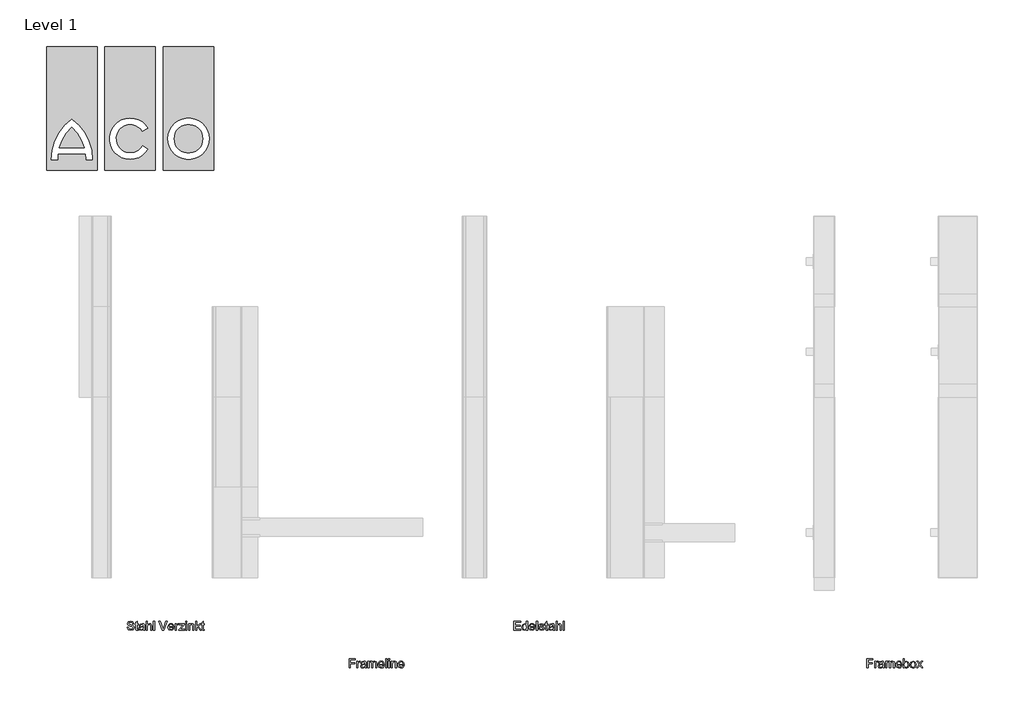
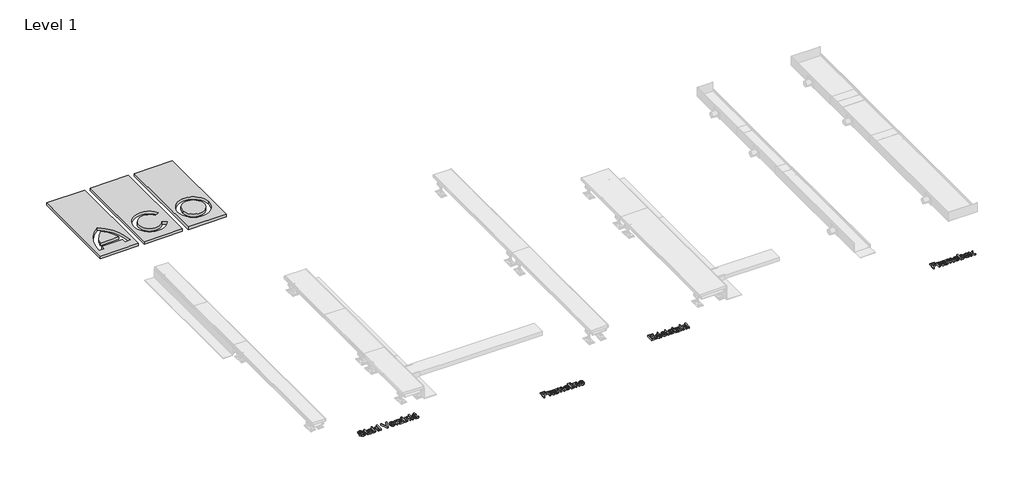
# One storey, part 2 of 2: 5 proxies.
"""IFC4 building model written with IfcOpenShell, lengths in millimetres."""

import ifcopenshell
import ifcopenshell.guid

model = None  # the IFC model being written
_history = None  # IfcOwnerHistory: only IFC2X3 demands one
_inside = {}  # id of a spatial element -> (the spatial element, [elements in it])
_under = {}  # id of a project, library or spatial element -> (it, [spatial elements below it])
_declared = {}  # id of a project -> (the project, [libraries it declares])
_typed = {}  # id of a type object -> (the type object, [elements of that type])
_made_of = {}  # id of a material, layer set ... -> (it, [elements and type objects made of it])


def new_model(schema):
    """Start an empty IFC model of exactly this schema.

    Asked for "IFC4X3", IfcOpenShell would pick the latest addendum, in which some entities
    have other attributes; the version numbers below select the first issue.
    IFC2X3 requires an IfcOwnerHistory on every rooted entity: one is made here for all.
    """
    global model, _history
    if schema == "IFC4X3":
        model = ifcopenshell.file(schema_version=(4, 3, 0, 0))
    else:
        model = ifcopenshell.file(schema=schema)
    _inside.clear()
    _under.clear()
    _declared.clear()
    _typed.clear()
    _made_of.clear()
    _history = None
    if model.schema == "IFC2X3":
        org = make("IfcOrganization", Name="unknown")
        user = make(
            "IfcPersonAndOrganization",
            ThePerson=make("IfcPerson", FamilyName="unknown"),
            TheOrganization=org,
        )
        app = make(
            "IfcApplication",
            ApplicationDeveloper=org,
            Version="unknown",
            ApplicationFullName="unknown",
            ApplicationIdentifier="unknown",
        )
        _history = make(
            "IfcOwnerHistory",
            OwningUser=user,
            OwningApplication=app,
            ChangeAction="ADDED",
            CreationDate=0,
        )
    return model


def make(cls, **values):
    """One entity of the class cls with the attributes given. An attribute that is None is left unset."""
    return model.create_entity(
        cls, **{name: value for name, value in values.items() if value is not None}
    )


def rooted(cls, **values):
    """An entity with a GlobalId (a new one), such as an element, a storey or a relation."""
    return make(cls, GlobalId=ifcopenshell.guid.new(), OwnerHistory=_history, **values)


def si_unit(unit_type, name, prefix=None):
    """IfcSIUnit, for example si_unit("LENGTHUNIT", "METRE", prefix="MILLI")."""
    return make("IfcSIUnit", UnitType=unit_type, Prefix=prefix, Name=name)


def assignment(units):
    """IfcUnitAssignment: the units of a project."""
    return None if units is None else make("IfcUnitAssignment", Units=units)


def point(xyz):
    """IfcCartesianPoint."""
    return None if xyz is None else make("IfcCartesianPoint", Coordinates=xyz)


def direction(xyz):
    """IfcDirection."""
    return None if xyz is None else make("IfcDirection", DirectionRatios=xyz)


def frame(location, z_axis=None, x_axis=None):
    """IfcAxis2Placement3D, a coordinate frame: its origin and axes. An axis left out is left unset."""
    return make(
        "IfcAxis2Placement3D",
        Location=point(location),
        Axis=direction(z_axis),
        RefDirection=direction(x_axis),
    )


def frame_2d(location, x_axis=None):
    """IfcAxis2Placement2D, a coordinate frame in the plane: its origin and x axis."""
    return make(
        "IfcAxis2Placement2D", Location=point(location), RefDirection=direction(x_axis)
    )


def origin():
    """The frame at (0, 0, 0) with its axes left unset."""
    return frame((0.0, 0.0, 0.0))


def origin_with_axes():
    """The frame at (0, 0, 0) with the z axis (0, 0, 1) and the x axis (1, 0, 0) written out."""
    return frame((0.0, 0.0, 0.0), z_axis=(0.0, 0.0, 1.0), x_axis=(1.0, 0.0, 0.0))


def origin_2d():
    """The frame at (0, 0) in the plane with its x axis left unset."""
    return frame_2d((0.0, 0.0))


def place(relative_to, where):
    """IfcLocalPlacement: puts the frame where relative to a parent placement (None: the world)."""
    return make(
        "IfcLocalPlacement", PlacementRelTo=relative_to, RelativePlacement=where
    )


def context(
    kind, dimensions, precision=None, world=None, true_north=None, identifier=None
):
    """IfcGeometricRepresentationContext, for example the 3D "Model" context."""
    return make(
        "IfcGeometricRepresentationContext",
        ContextIdentifier=identifier,
        ContextType=kind,
        CoordinateSpaceDimension=dimensions,
        Precision=precision,
        WorldCoordinateSystem=world,
        TrueNorth=true_north,
    )


def project(units=None, contexts=None):
    """IfcProject with its units and contexts."""
    return rooted(
        "IfcProject",
        Name="project",
        RepresentationContexts=contexts,
        UnitsInContext=assignment(units),
    )


def spatial(cls, under=None, at=None, **own):
    """A site, building, storey or space (cls), placed at a placement, below another one or the project."""
    s = rooted(cls, ObjectPlacement=at, **own)
    if under is not None:
        _under.setdefault(under.id(), (under, []))[1].append(s)
    return s


def polyline(points):
    """IfcPolyline through the points."""
    return make("IfcPolyline", Points=[point(p) for p in points])


def circle_curve(where, radius):
    """IfcCircle in the frame where."""
    return make("IfcCircle", Position=where, Radius=radius)


def trimmed(basis, trim1, trim2, sense, master):
    """IfcTrimmedCurve: the piece of a basis curve between two trims."""
    return make(
        "IfcTrimmedCurve",
        BasisCurve=basis,
        Trim1=trim1,
        Trim2=trim2,
        SenseAgreement=sense,
        MasterRepresentation=master,
    )


def segment(curve, same_sense, transition):
    """IfcCompositeCurveSegment."""
    return make(
        "IfcCompositeCurveSegment",
        Transition=transition,
        SameSense=same_sense,
        ParentCurve=curve,
    )


def composite_curve(segments, self_intersect=None):
    """IfcCompositeCurve: segments joined end to end."""
    return make("IfcCompositeCurve", Segments=segments, SelfIntersect=self_intersect)


def outline(outer, holes=None, kind="AREA"):
    """IfcArbitraryClosedProfileDef: a profile drawn as a closed curve; with holes, ...WithVoids."""
    if holes is None:
        return make("IfcArbitraryClosedProfileDef", ProfileType=kind, OuterCurve=outer)
    return make(
        "IfcArbitraryProfileDefWithVoids",
        ProfileType=kind,
        OuterCurve=outer,
        InnerCurves=holes,
    )


def extrude(swept, where, along, depth):
    """IfcExtrudedAreaSolid: the profile swept, set in the frame where, extruded along a direction by depth."""
    return make(
        "IfcExtrudedAreaSolid",
        SweptArea=swept,
        Position=where,
        ExtrudedDirection=direction(along),
        Depth=depth,
    )


def shape(context_of_items, identifier, shape_type, items):
    """IfcShapeRepresentation: the items that make up one representation, for example the "Body"."""
    return make(
        "IfcShapeRepresentation",
        ContextOfItems=context_of_items,
        RepresentationIdentifier=identifier,
        RepresentationType=shape_type,
        Items=items,
    )


def source(mapping_origin, context_of_items, identifier, shape_type, items):
    """IfcRepresentationMap: a shape defined once, which mapped items show again and again."""
    return make(
        "IfcRepresentationMap",
        MappingOrigin=mapping_origin,
        MappedRepresentation=shape(context_of_items, identifier, shape_type, items),
    )


def transform(
    local_origin,
    x_axis=None,
    y_axis=None,
    z_axis=None,
    scale=None,
    scale2=None,
    scale3=None,
    uniform=True,
):
    """IfcCartesianTransformationOperator3D, or its non-uniform kind. x_axis, y_axis, z_axis: its Axis1, 2, 3."""
    if uniform:
        return make(
            "IfcCartesianTransformationOperator3D",
            Axis1=direction(x_axis),
            Axis2=direction(y_axis),
            LocalOrigin=point(local_origin),
            Scale=scale,
            Axis3=direction(z_axis),
        )
    return make(
        "IfcCartesianTransformationOperator3DnonUniform",
        Axis1=direction(x_axis),
        Axis2=direction(y_axis),
        LocalOrigin=point(local_origin),
        Scale=scale,
        Axis3=direction(z_axis),
        Scale2=scale2,
        Scale3=scale3,
    )


def mapped(mapping_source, mapping_target):
    """IfcMappedItem: shows the shape of a source again, moved by a transform."""
    return make(
        "IfcMappedItem", MappingSource=mapping_source, MappingTarget=mapping_target
    )


def made_of(thing, what):
    """Note that an element or type object is made of a material, layer set ...; save() writes the relation."""
    if what is not None:
        _made_of.setdefault(what.id(), (what, []))[1].append(thing)
    return thing


def element(
    cls,
    number,
    at=None,
    inside=None,
    cuts=None,
    type_object=None,
    material=None,
    context=None,
    identifier="Body",
    shape_type=None,
    held_by="IfcProductDefinitionShape",
    body=None,
    shapes=None,
    **own,
):
    """One element of the class cls, such as IfcWall. Its Tag is "e" and its number.

    at: its placement. inside: the storey or other place that contains it. cuts: it is an
    opening in that element (IfcRelVoidsElement). A single representation is given by context,
    identifier, shape_type and body (its items); several are given by shapes. held_by: the class
    of the entity that holds the representations. save() writes the other relations.
    """
    e = rooted(cls, Tag="e%d" % number, ObjectPlacement=at, **own)
    if body is not None:
        shapes = [shape(context, identifier, shape_type, body)]
    if shapes is not None:
        e.Representation = make(held_by, Representations=shapes)
    if inside is not None:
        _inside.setdefault(inside.id(), (inside, []))[1].append(e)
    if cuts is not None:
        rooted(
            "IfcRelVoidsElement", RelatingBuildingElement=cuts, RelatedOpeningElement=e
        )
    if type_object is not None:
        _typed.setdefault(type_object.id(), (type_object, []))[1].append(e)
    return made_of(e, material)


def aggregate(whole, parts):
    """IfcRelAggregates: a whole, such as a stair, and the parts it consists of."""
    return rooted("IfcRelAggregates", RelatingObject=whole, RelatedObjects=parts)


def save(model, path):
    """Write the relations noted so far, then the file.

    IfcRelAggregates (storeys below a building ...), IfcRelContainedInSpatialStructure (elements
    in a storey), IfcRelDefinesByType, IfcRelAssociatesMaterial and IfcRelDeclares: one each for
    every whole, place, type object, material and project.
    """
    for whole, parts in _under.values():
        aggregate(whole, parts)
    for where, things in _inside.values():
        rooted(
            "IfcRelContainedInSpatialStructure",
            RelatedElements=things,
            RelatingStructure=where,
        )
    for kind, things in _typed.values():
        rooted("IfcRelDefinesByType", RelatedObjects=things, RelatingType=kind)
    for what, things in _made_of.values():
        rooted("IfcRelAssociatesMaterial", RelatedObjects=things, RelatingMaterial=what)
    for by, libraries in _declared.values():
        rooted("IfcRelDeclares", RelatingContext=by, RelatedDefinitions=libraries)
    model.write(path)


def aco_logo_2_aco_logo_2_fd4f08f5(model_context):
    return source(origin(), model_context, "Body", "SweptSolid", [
        extrude(outline(composite_curve([segment(trimmed(circle_curve(frame_2d((322.6916659, 0.0)), 78.8446383), [point((243.8470276, 0.0))], [point((401.5363043, 0.0))], False, "CARTESIAN"), True, "CONTINUOUS"), segment(trimmed(circle_curve(frame_2d((322.6916659, 0.0)), 78.8446383), [point((401.5363043, 0.0))], [point((243.8470276, 0.0))], False, "CARTESIAN"), True, "CONTINUOUS")], self_intersect=False)), origin_with_axes(), (0.0, 0.0, 1.0), 20.0),
        extrude(outline(composite_curve([segment(trimmed(circle_curve(frame_2d((-489.1421711, -116.655693)), 245.2949397), [point((-322.6918325, 63.5216981))], [point((-253.4274551, -48.7721153))], False, "CARTESIAN"), True, "CONTINUOUS"), segment(polyline([(-253.4274551, -48.7721153), (-391.9570627, -48.7721153)]), True, "CONTINUOUS"), segment(trimmed(circle_curve(frame_2d((-156.2447263, -116.6554892)), 245.2925967), [point((-391.9570627, -48.7721153))], [point((-322.6918325, 63.5216981))], False, "CARTESIAN"), True, "CONTINUOUS")], self_intersect=False)), origin_with_axes(), (0.0, 0.0, 1.0), 20.0),
        extrude(outline(polyline([(-182.6922589, -175.0), (-462.6922589, -175.0), (-462.6922589, 510.0), (-182.6922589, 510.0), (-182.6922589, -175.0)]), holes=[composite_curve([segment(trimmed(circle_curve(frame_2d((-489.1421711, -116.655693)), 245.2949397), [point((-246.0556797, -83.8141768))], [point((-243.8503465, -115.4194717))], False, "CARTESIAN"), True, "CONTINUOUS"), segment(polyline([(-243.8503465, -115.4194717), (-208.8078956, -115.4194717)]), True, "CONTINUOUS"), segment(trimmed(circle_curve(frame_2d((-489.1421711, -116.655693)), 280.3370012), [point((-208.8078956, -115.4194717))], [point((-322.691871, 108.917204))], True, "CARTESIAN"), True, "CONTINUOUS"), segment(trimmed(circle_curve(frame_2d((-156.2447263, -116.6554892)), 280.3349638), [point((-322.691871, 108.917204))], [point((-436.5769652, -115.4194717))], True, "CARTESIAN"), True, "CONTINUOUS"), segment(polyline([(-436.5769652, -115.4194717), (-401.533291, -115.4194717)]), True, "CONTINUOUS"), segment(trimmed(circle_curve(frame_2d((-156.2414664, -116.655693)), 245.2949397), [point((-401.533291, -115.4194717))], [point((-399.3279577, -83.8141768))], False, "CARTESIAN"), True, "CONTINUOUS"), segment(polyline([(-399.3279577, -83.8141768), (-246.0556797, -83.8141768)]), True, "CONTINUOUS")], self_intersect=False)]), origin_with_axes(), (0.0, 0.0, 1.0), 20.0),
        extrude(outline(polyline([(140.0, -175.0), (-140.0, -175.0), (-140.0, 510.0), (140.0, 510.0), (140.0, -175.0)]), holes=[composite_curve([segment(trimmed(circle_curve(origin_2d(), 78.8445365), [point((68.281376, -39.4222605))], [point((67.5433761, 40.6737418))], False, "CARTESIAN"), True, "CONTINUOUS"), segment(polyline([(67.5433761, 40.6737418), (97.8942123, 58.1969105)]), True, "CONTINUOUS"), segment(trimmed(circle_curve(origin_2d(), 113.8865979), [point((97.8942123, 58.1969105))], [point((98.6286808, -56.9433097))], True, "CARTESIAN"), True, "CONTINUOUS"), segment(polyline([(98.6286808, -56.9433097), (68.281376, -39.4222605)]), True, "CONTINUOUS")], self_intersect=False)]), origin_with_axes(), (0.0, 0.0, 1.0), 20.0),
        extrude(outline(polyline([(462.6916659, -175.0), (182.6916659, -175.0), (182.6916659, 510.0), (462.6916659, 510.0), (462.6916659, -175.0)]), holes=[composite_curve([segment(trimmed(circle_curve(frame_2d((322.6916659, 0.0)), 113.8866998), [point((208.8049661, 0.0))], [point((436.5783657, 0.0))], True, "CARTESIAN"), True, "CONTINUOUS"), segment(trimmed(circle_curve(frame_2d((322.6916659, 0.0)), 113.8866998), [point((436.5783657, 0.0))], [point((208.8049661, 0.0))], True, "CARTESIAN"), True, "CONTINUOUS")], self_intersect=False)]), origin_with_axes(), (0.0, 0.0, 1.0), 20.0),
    ])


model = new_model("IFC4")

# Units and contexts
model_context = context("Model", 3, world=origin())
ifc_project = project(units=[si_unit("LENGTHUNIT", "METRE", prefix="MILLI")], contexts=[model_context])

# Site, building, storey
site = spatial("IfcSite", under=ifc_project)
building = spatial("IfcBuilding", under=site)
storey = spatial("IfcBuildingStorey", under=building, Name="Level 1", Elevation=0.0)

# Proxies
placement = place(None, origin())
element("IfcBuildingElementProxy", 1, Name="100mm ACO", ObjectType="100mm ACO", at=placement, inside=storey, context=model_context, shape_type="SweptSolid", body=[
    extrude(outline(polyline([(6028.2815855, -2717.8483329), (6001.2727885, -2717.8483329), (6001.2727885, -2733.681076), (6024.5562342, -2733.681076), (6024.5562342, -2739.2691029), (6001.2727885, -2739.2691029), (6001.2727885, -2762.5525486), (5994.7534237, -2762.5525486), (5994.7534237, -2712.2603059), (6028.2815855, -2712.2603059), (6028.2815855, -2717.8483329)])), origin_with_axes(), (0.0, 0.0, 1.0), 10.0),
    extrude(outline(polyline([(6056.2217203, -2726.7251466), (6054.1844188, -2730.8870625), (6049.9060857, -2729.9557246), (6044.8855927, -2733.2299592), (6043.1829907, -2742.3978159), (6043.1829907, -2762.5525486), (6036.6636259, -2762.5525486), (6036.6636259, -2726.2303733), (6042.2516529, -2726.2303733), (6042.2516529, -2731.6146701), (6049.9788464, -2725.2990355), (6056.2217203, -2726.7251466)])), origin_with_axes(), (0.0, 0.0, 1.0), 10.0),
    extrude(outline(polyline([(6091.6125577, -2762.5525486), (6085.0931929, -2762.5525486), (6083.2305173, -2758.1577982), (6070.1772356, -2763.4838864), (6061.3222501, -2760.5734557), (6058.084396, -2752.8899186), (6061.2567654, -2745.344627), (6072.2727457, -2741.4228216), (6077.9771899, -2740.5496924), (6083.2305173, -2739.2691029), (6083.0631675, -2735.2308803), (6082.0881732, -2732.7788424), (6079.4906138, -2730.7342649), (6074.673851, -2729.9557246), (6068.5983269, -2731.5346333), (6065.5350986, -2737.4064273), (6059.0157338, -2736.6060588), (6064.1599201, -2728.1367055), (6075.5615324, -2725.2990355), (6085.2459906, -2727.241748), (6089.0441026, -2731.9275415), (6089.7498821, -2738.992612), (6089.7498821, -2747.3018917), (6090.026373, -2757.4883992), (6091.6125577, -2762.5525486)]), holes=[polyline([(6083.2305173, -2746.2541366), (6083.2305173, -2743.9257921), (6071.5233098, -2746.6033883), (6066.333648, -2748.6443278), (6064.6037607, -2752.7880536), (6066.4664364, -2757.1245953), (6071.8361811, -2758.8271973), (6079.788933, -2755.9749752), (6083.2305173, -2746.2541366)])]), origin_with_axes(), (0.0, 0.0, 1.0), 10.0),
    extrude(outline(polyline([(6147.4928273, -2762.5525486), (6140.9734626, -2762.5525486), (6140.9734626, -2739.0653728), (6140.6460391, -2734.634242), (6138.9434371, -2731.3745596), (6134.6578279, -2729.9557246), (6128.6186842, -2732.546008), (6126.0720573, -2740.9571527), (6126.0720573, -2762.5525486), (6119.5526925, -2762.5525486), (6119.5526925, -2738.3668694), (6117.9519556, -2731.7456395), (6113.4116837, -2729.9557246), (6107.1106013, -2732.7570142), (6104.6512873, -2743.2418408), (6104.6512873, -2762.5525486), (6098.1319225, -2762.5525486), (6098.1319225, -2726.2303733), (6103.7199495, -2726.2303733), (6103.7199495, -2731.2072099), (6108.4384853, -2726.7760791), (6114.7504819, -2725.2990355), (6121.3789878, -2726.8924963), (6125.1407195, -2731.6874309), (6129.928378, -2726.8961344), (6136.2585648, -2725.2990355), (6144.6842617, -2728.3549878), (6147.4928273, -2737.5228445), (6147.4928273, -2762.5525486)])), origin_with_axes(), (0.0, 0.0, 1.0), 10.0),
    extrude(outline(polyline([(6188.4716917, -2745.7884677), (6161.4628948, -2745.7884677), (6164.8753748, -2755.480202), (6172.4497707, -2758.8271973), (6178.3215646, -2756.9717977), (6181.952327, -2751.3764947), (6188.4716917, -2752.1332067), (6182.7817997, -2760.5443514), (6172.4497707, -2763.4838864), (6159.5783909, -2758.4415652), (6154.94353, -2744.6679519), (6159.4110411, -2730.6687802), (6164.7916999, -2726.6414717), (6171.9986539, -2725.2990355), (6179.6530867, -2727.0380179), (6185.9032366, -2732.9607444), (6188.4716917, -2745.7884677)]), holes=[polyline([(6181.952327, -2741.1317786), (6178.5180187, -2732.5751123), (6171.8385802, -2729.9557246), (6164.708025, -2733.0698855), (6161.4628948, -2741.1317786), (6181.952327, -2741.1317786)])]), origin_with_axes(), (0.0, 0.0, 1.0), 10.0),
    extrude(outline(polyline([(6202.5290721, -2729.8247553), (6212.3081192, -2725.2990355), (6223.4186885, -2730.4213936), (6227.5878805, -2743.8093748), (6223.0039521, -2758.4124609), (6212.2790149, -2763.4838864), (6202.5727285, -2758.5070499), (6202.4417591, -2762.5525486), (6195.9223944, -2762.5525486), (6195.9223944, -2712.2603059), (6202.4417591, -2712.2603059), (6202.5290721, -2729.8247553)]), holes=[polyline([(6211.6678245, -2758.8271973), (6218.4127477, -2755.0218091), (6221.0685157, -2744.3332524), (6218.6237539, -2733.8338736), (6211.8715546, -2729.9557246), (6205.0320425, -2733.9575669), (6202.4417591, -2744.0858657), (6203.5186185, -2752.6134277), (6206.7637487, -2756.9863499), (6211.6678245, -2758.8271973)])]), origin_with_axes(), (0.0, 0.0, 1.0), 10.0),
    extrude(outline(polyline([(6249.9254362, -2725.2990355), (6261.9382389, -2730.1157983), (6266.7040692, -2743.8093748), (6265.4143846, -2752.9990598), (6261.5453308, -2759.0309274), (6249.9254362, -2763.4838864), (6238.16002, -2758.9072341), (6234.4219356, -2752.9899647), (6233.1759074, -2744.391461), (6237.9926703, -2730.0284854), (6249.9254362, -2725.2990355)]), holes=[polyline([(6249.9254362, -2758.8271973), (6257.5725929, -2754.7889747), (6260.1847044, -2744.1586265), (6257.2306173, -2733.5355544), (6249.9254362, -2729.9557246), (6242.5693226, -2733.586487), (6239.6952722, -2744.4060131), (6242.6202551, -2755.196435), (6249.9254362, -2758.8271973)])]), origin_with_axes(), (0.0, 0.0, 1.0), 10.0),
    extrude(outline(polyline([(6303.9575823, -2762.5525486), (6297.394561, -2762.5525486), (6287.2080536, -2748.3205424), (6277.0215461, -2762.5525486), (6270.4294205, -2762.5525486), (6283.8901625, -2743.7366141), (6271.3607583, -2726.2303733), (6277.9237796, -2726.2303733), (6287.1789493, -2739.1381335), (6296.4195668, -2726.2303733), (6303.0262445, -2726.2303733), (6290.4822881, -2743.7511662), (6303.9575823, -2762.5525486)])), origin_with_axes(), (0.0, 0.0, 1.0), 10.0),
])
element("IfcBuildingElementProxy", 2, Name="100mm ACO", ObjectType="100mm ACO", at=placement, inside=storey, context=model_context, shape_type="SweptSolid", body=[
    extrude(outline(polyline([(3163.2186355, -2717.8483329), (3136.2098386, -2717.8483329), (3136.2098386, -2733.681076), (3159.4932842, -2733.681076), (3159.4932842, -2739.2691029), (3136.2098386, -2739.2691029), (3136.2098386, -2762.5525486), (3129.6904738, -2762.5525486), (3129.6904738, -2712.2603059), (3163.2186355, -2712.2603059), (3163.2186355, -2717.8483329)])), origin_with_axes(), (0.0, 0.0, 1.0), 10.0),
    extrude(outline(polyline([(3191.1587704, -2726.7251466), (3189.1214689, -2730.8870625), (3184.8431357, -2729.9557246), (3179.8226427, -2733.2299592), (3178.1200408, -2742.3978159), (3178.1200408, -2762.5525486), (3171.600676, -2762.5525486), (3171.600676, -2726.2303733), (3177.188703, -2726.2303733), (3177.188703, -2731.6146701), (3184.9158965, -2725.2990355), (3191.1587704, -2726.7251466)])), origin_with_axes(), (0.0, 0.0, 1.0), 10.0),
    extrude(outline(polyline([(3226.5496078, -2762.5525486), (3220.030243, -2762.5525486), (3218.1675673, -2758.1577982), (3205.1142856, -2763.4838864), (3196.2593002, -2760.5734557), (3193.021446, -2752.8899186), (3196.1938155, -2745.344627), (3207.2097957, -2741.4228216), (3212.9142399, -2740.5496924), (3218.1675673, -2739.2691029), (3218.0002176, -2735.2308803), (3217.0252233, -2732.7788424), (3214.4276639, -2730.7342649), (3209.6109011, -2729.9557246), (3203.5353769, -2731.5346333), (3200.4721486, -2737.4064273), (3193.9527838, -2736.6060588), (3199.0969701, -2728.1367055), (3210.4985824, -2725.2990355), (3220.1830406, -2727.241748), (3223.9811527, -2731.9275415), (3224.6869321, -2738.992612), (3224.6869321, -2747.3018917), (3224.963423, -2757.4883992), (3226.5496078, -2762.5525486)]), holes=[polyline([(3218.1675673, -2746.2541366), (3218.1675673, -2743.9257921), (3206.4603598, -2746.6033883), (3201.2706981, -2748.6443278), (3199.5408108, -2752.7880536), (3201.4034865, -2757.1245953), (3206.7732311, -2758.8271973), (3214.725983, -2755.9749752), (3218.1675673, -2746.2541366)])]), origin_with_axes(), (0.0, 0.0, 1.0), 10.0),
    extrude(outline(polyline([(3282.4298774, -2762.5525486), (3275.9105126, -2762.5525486), (3275.9105126, -2739.0653728), (3275.5830892, -2734.634242), (3273.8804872, -2731.3745596), (3269.594878, -2729.9557246), (3263.5557343, -2732.546008), (3261.0091074, -2740.9571527), (3261.0091074, -2762.5525486), (3254.4897426, -2762.5525486), (3254.4897426, -2738.3668694), (3252.8890057, -2731.7456395), (3248.3487338, -2729.9557246), (3242.0476513, -2732.7570142), (3239.5883374, -2743.2418408), (3239.5883374, -2762.5525486), (3233.0689726, -2762.5525486), (3233.0689726, -2726.2303733), (3238.6569995, -2726.2303733), (3238.6569995, -2731.2072099), (3243.3755353, -2726.7760791), (3249.6875319, -2725.2990355), (3256.3160379, -2726.8924963), (3260.0777696, -2731.6874309), (3264.8654281, -2726.8961344), (3271.1956149, -2725.2990355), (3279.6213118, -2728.3549878), (3282.4298774, -2737.5228445), (3282.4298774, -2762.5525486)])), origin_with_axes(), (0.0, 0.0, 1.0), 10.0),
    extrude(outline(polyline([(3323.4087418, -2745.7884677), (3296.3999448, -2745.7884677), (3299.8124248, -2755.480202), (3307.3868207, -2758.8271973), (3313.2586147, -2756.9717977), (3316.889377, -2751.3764947), (3323.4087418, -2752.1332067), (3317.7188498, -2760.5443514), (3307.3868207, -2763.4838864), (3294.5154409, -2758.4415652), (3289.88058, -2744.6679519), (3294.3480912, -2730.6687802), (3299.7287499, -2726.6414717), (3306.935704, -2725.2990355), (3314.5901367, -2727.0380179), (3320.8402867, -2732.9607444), (3323.4087418, -2745.7884677)]), holes=[polyline([(3316.889377, -2741.1317786), (3313.4550688, -2732.5751123), (3306.7756303, -2729.9557246), (3299.6450751, -2733.0698855), (3296.3999448, -2741.1317786), (3316.889377, -2741.1317786)])]), origin_with_axes(), (0.0, 0.0, 1.0), 10.0),
    extrude(outline(polyline([(3337.3788092, -2762.5525486), (3330.8594444, -2762.5525486), (3330.8594444, -2712.2603059), (3337.3788092, -2712.2603059), (3337.3788092, -2762.5525486)])), origin_with_axes(), (0.0, 0.0, 1.0), 10.0),
    extrude(outline(polyline([(3353.2115523, -2718.7796707), (3346.6921875, -2718.7796707), (3346.6921875, -2712.2603059), (3353.2115523, -2712.2603059), (3353.2115523, -2718.7796707)])), origin_with_axes(), (0.0, 0.0, 1.0), 10.0),
    extrude(outline(polyline([(3353.2115523, -2762.5525486), (3346.6921875, -2762.5525486), (3346.6921875, -2726.2303733), (3353.2115523, -2726.2303733), (3353.2115523, -2762.5525486)])), origin_with_axes(), (0.0, 0.0, 1.0), 10.0),
    extrude(outline(polyline([(3392.327741, -2762.5525486), (3385.8083762, -2762.5525486), (3385.8083762, -2739.938502), (3383.8656637, -2732.0948912), (3378.4595387, -2729.9557246), (3373.4172175, -2731.3236271), (3370.0411178, -2735.1799478), (3369.0442953, -2742.2231901), (3369.0442953, -2762.5525486), (3362.5249305, -2762.5525486), (3362.5249305, -2726.2303733), (3368.1129575, -2726.2303733), (3368.1129575, -2731.2799706), (3373.089794, -2726.7906312), (3379.7546803, -2725.2990355), (3385.4736767, -2726.3322384), (3389.8975314, -2729.424571), (3391.9130046, -2733.8193214), (3392.327741, -2740.12768), (3392.327741, -2762.5525486)])), origin_with_axes(), (0.0, 0.0, 1.0), 10.0),
    extrude(outline(polyline([(3433.3066054, -2745.7884677), (3406.2978084, -2745.7884677), (3409.7102884, -2755.480202), (3417.2846843, -2758.8271973), (3423.1564783, -2756.9717977), (3426.7872406, -2751.3764947), (3433.3066054, -2752.1332067), (3427.6167133, -2760.5443514), (3417.2846843, -2763.4838864), (3404.4133045, -2758.4415652), (3399.7784436, -2744.6679519), (3404.2459548, -2730.6687802), (3409.6266135, -2726.6414717), (3416.8335676, -2725.2990355), (3424.4880003, -2727.0380179), (3430.7381503, -2732.9607444), (3433.3066054, -2745.7884677)]), holes=[polyline([(3426.7872406, -2741.1317786), (3423.3529324, -2732.5751123), (3416.6734939, -2729.9557246), (3409.5429386, -2733.0698855), (3406.2978084, -2741.1317786), (3426.7872406, -2741.1317786)])]), origin_with_axes(), (0.0, 0.0, 1.0), 10.0),
])
element("IfcBuildingElementProxy", 3, Name="100mm ACO", ObjectType="100mm ACO", at=placement, inside=storey, context=model_context, shape_type="SweptSolid", body=[
    extrude(outline(polyline([(1931.9311238, -2519.3513148), (1928.6714414, -2511.6750538), (1920.4640268, -2509.1065987), (1912.6058638, -2511.1075198), (1909.5790159, -2516.9356573), (1911.8273236, -2521.9925307), (1920.9733521, -2525.1576241), (1930.9488534, -2527.9152572), (1937.5628072, -2532.4045965), (1940.3131642, -2540.5683547), (1935.270843, -2551.3733287), (1922.1229723, -2555.6734901), (1906.6394809, -2550.9003837), (1901.1969755, -2538.5310532), (1907.7163403, -2537.9780714), (1912.1620232, -2547.1968606), (1921.8901378, -2550.0854631), (1930.5050127, -2547.706186), (1933.7937994, -2541.2523059), (1930.3958716, -2535.0385363), (1918.688664, -2531.2913568), (1906.7195177, -2526.1544466), (1903.0596511, -2517.4886392), (1907.6508556, -2507.4767575), (1920.1584315, -2503.5185718), (1933.2117133, -2507.5058618), (1938.4504885, -2518.8274373), (1931.9311238, -2519.3513148)])), origin_with_axes(), (0.0, 0.0, 1.0), 10.0),
    extrude(outline(polyline([(1962.6652721, -2555.2514776), (1958.0958958, -2555.6734901), (1952.2677583, -2554.2255508), (1950.0340028, -2550.551132), (1949.6265425, -2544.3519146), (1949.6265425, -2523.0766661), (1944.9698533, -2523.0766661), (1944.9698533, -2518.419977), (1949.6265425, -2518.419977), (1949.6265425, -2509.1939116), (1956.1459073, -2505.3812474), (1956.1459073, -2518.419977), (1961.7339342, -2518.419977), (1961.7339342, -2523.0766661), (1956.1459073, -2523.0766661), (1956.1459073, -2545.6616084), (1956.6697848, -2549.79442), (1959.3328289, -2551.0168009), (1961.8649036, -2551.0168009), (1962.6652721, -2555.2514776)])), origin_with_axes(), (0.0, 0.0, 1.0), 10.0),
    extrude(outline(polyline([(1999.9187851, -2554.7421522), (1993.3994203, -2554.7421522), (1991.5367447, -2550.3474019), (1978.483463, -2555.6734901), (1969.6284775, -2552.7630594), (1966.3906234, -2545.0795223), (1969.5629928, -2537.5342307), (1980.5789731, -2533.6124253), (1986.2834173, -2532.7392961), (1991.5367447, -2531.4587066), (1991.3693949, -2527.420484), (1990.3944006, -2524.9684461), (1987.7968412, -2522.9238685), (1982.9800784, -2522.1453283), (1976.9045543, -2523.724237), (1973.841326, -2529.5960309), (1967.3219612, -2528.7956625), (1972.4661475, -2520.3263091), (1983.8677598, -2517.4886392), (1993.552218, -2519.4313517), (1997.35033, -2524.1171451), (1998.0561095, -2531.1822157), (1998.0561095, -2539.4914953), (1998.3326004, -2549.6780028), (1999.9187851, -2554.7421522)]), holes=[polyline([(1991.5367447, -2538.4437403), (1991.5367447, -2536.1153957), (1979.8295372, -2538.792992), (1974.6398754, -2540.8339315), (1972.9099881, -2544.9776572), (1974.7726638, -2549.314199), (1980.1424085, -2551.0168009), (1988.0951604, -2548.1645788), (1991.5367447, -2538.4437403)])]), origin_with_axes(), (0.0, 0.0, 1.0), 10.0),
    extrude(outline(polyline([(2037.1722982, -2554.7421522), (2030.6529334, -2554.7421522), (2030.6529334, -2531.2549764), (2028.7975338, -2524.4227403), (2023.2604394, -2522.1453283), (2016.7556268, -2524.8302006), (2013.8888525, -2534.4127937), (2013.8888525, -2554.7421522), (2007.3694877, -2554.7421522), (2007.3694877, -2504.4499096), (2013.8888525, -2504.4499096), (2013.8888525, -2522.4654757), (2024.7302069, -2517.4886392), (2031.4096454, -2518.9293024), (2035.8844326, -2523.3604331), (2037.1722982, -2531.6624367), (2037.1722982, -2554.7421522)])), origin_with_axes(), (0.0, 0.0, 1.0), 10.0),
    extrude(outline(polyline([(2053.0050413, -2554.7421522), (2046.4856765, -2554.7421522), (2046.4856765, -2504.4499096), (2053.0050413, -2504.4499096), (2053.0050413, -2554.7421522)])), origin_with_axes(), (0.0, 0.0, 1.0), 10.0),
    extrude(outline(polyline([(2122.8553783, -2504.4499096), (2103.9957873, -2554.7421522), (2096.0794158, -2554.7421522), (2077.2198248, -2504.4499096), (2084.1320977, -2504.4499096), (2097.3891096, -2541.0049193), (2100.0376015, -2549.2123339), (2102.7006456, -2541.0049193), (2115.9431054, -2504.4499096), (2122.8553783, -2504.4499096)])), origin_with_axes(), (0.0, 0.0, 1.0), 10.0),
    extrude(outline(polyline([(2160.1088914, -2537.9780714), (2133.1000944, -2537.9780714), (2136.5125744, -2547.6698056), (2144.0869703, -2551.0168009), (2149.9587643, -2549.1614014), (2153.5895266, -2543.5660983), (2160.1088914, -2544.3228103), (2154.4189993, -2552.7339551), (2144.0869703, -2555.6734901), (2131.2155905, -2550.6311689), (2126.5807296, -2536.8575555), (2131.0482407, -2522.8583838), (2136.4288995, -2518.8310753), (2143.6358536, -2517.4886392), (2151.2902863, -2519.2276215), (2157.5404363, -2525.150348), (2160.1088914, -2537.9780714)]), holes=[polyline([(2153.5895266, -2533.3213822), (2150.1552184, -2524.7647159), (2143.4757799, -2522.1453283), (2136.3452246, -2525.2594892), (2133.1000944, -2533.3213822), (2153.5895266, -2533.3213822)])]), origin_with_axes(), (0.0, 0.0, 1.0), 10.0),
    extrude(outline(polyline([(2187.1176884, -2518.9147502), (2185.0803869, -2523.0766661), (2180.8020537, -2522.1453283), (2175.7815608, -2525.4195628), (2174.0789588, -2534.5874196), (2174.0789588, -2554.7421522), (2167.559594, -2554.7421522), (2167.559594, -2518.419977), (2173.147621, -2518.419977), (2173.147621, -2523.8042738), (2180.8748145, -2517.4886392), (2187.1176884, -2518.9147502)])), origin_with_axes(), (0.0, 0.0, 1.0), 10.0),
    extrude(outline(polyline([(2219.7145123, -2554.7421522), (2188.0490262, -2554.7421522), (2188.0490262, -2550.4201626), (2211.1869503, -2522.8292795), (2204.1146037, -2523.0766661), (2188.980364, -2523.0766661), (2188.980364, -2518.419977), (2218.7831745, -2518.419977), (2218.7831745, -2522.1016718), (2198.8758284, -2545.9672037), (2195.8344283, -2549.4451684), (2202.819462, -2550.0854631), (2219.7145123, -2550.0854631), (2219.7145123, -2554.7421522)])), origin_with_axes(), (0.0, 0.0, 1.0), 10.0),
    extrude(outline(polyline([(2231.8219041, -2510.9692744), (2225.3025393, -2510.9692744), (2225.3025393, -2504.4499096), (2231.8219041, -2504.4499096), (2231.8219041, -2510.9692744)])), origin_with_axes(), (0.0, 0.0, 1.0), 10.0),
    extrude(outline(polyline([(2231.8219041, -2554.7421522), (2225.3025393, -2554.7421522), (2225.3025393, -2518.419977), (2231.8219041, -2518.419977), (2231.8219041, -2554.7421522)])), origin_with_axes(), (0.0, 0.0, 1.0), 10.0),
    extrude(outline(polyline([(2270.9380928, -2554.7421522), (2264.418728, -2554.7421522), (2264.418728, -2532.1281056), (2262.4760155, -2524.2844949), (2257.0698905, -2522.1453283), (2252.0275693, -2523.5132307), (2248.6514696, -2527.3695514), (2247.6546471, -2534.4127937), (2247.6546471, -2554.7421522), (2241.1352823, -2554.7421522), (2241.1352823, -2518.419977), (2246.7233093, -2518.419977), (2246.7233093, -2523.4695743), (2251.7001458, -2518.9802349), (2258.3650321, -2517.4886392), (2264.0840285, -2518.5218421), (2268.5078832, -2521.6141747), (2270.5233564, -2526.0089251), (2270.9380928, -2532.3172836), (2270.9380928, -2554.7421522)])), origin_with_axes(), (0.0, 0.0, 1.0), 10.0),
    extrude(outline(polyline([(2328.6810381, -2555.2514776), (2324.1116619, -2555.6734901), (2318.2835244, -2554.2255508), (2316.0497688, -2550.551132), (2315.6423085, -2544.3519146), (2315.6423085, -2523.0766661), (2310.9856194, -2523.0766661), (2310.9856194, -2518.419977), (2315.6423085, -2518.419977), (2315.6423085, -2509.1939116), (2322.1616733, -2505.3812474), (2322.1616733, -2518.419977), (2327.7497002, -2518.419977), (2327.7497002, -2523.0766661), (2322.1616733, -2523.0766661), (2322.1616733, -2545.6616084), (2322.6855508, -2549.79442), (2325.3485949, -2551.0168009), (2327.8806696, -2551.0168009), (2328.6810381, -2555.2514776)])), origin_with_axes(), (0.0, 0.0, 1.0), 10.0),
    extrude(outline(polyline([(2310.9856194, -2554.7421522), (2304.509911, -2554.7421522), (2291.3838685, -2535.6497268), (2286.7708359, -2539.840747), (2286.7708359, -2554.7421522), (2280.2514711, -2554.7421522), (2280.2514711, -2504.4499096), (2286.7708359, -2504.4499096), (2286.7708359, -2532.6083267), (2302.3561923, -2518.419977), (2310.287116, -2518.419977), (2295.3566065, -2532.0116884), (2310.9856194, -2554.7421522)])), origin_with_axes(), (0.0, 0.0, 1.0), 10.0),
])
element("IfcBuildingElementProxy", 4, Name="100mm ACO", ObjectType="100mm ACO", at=placement, inside=storey, context=model_context, shape_type="SweptSolid", body=[
    extrude(outline(polyline([(4078.7991141, -2554.7421522), (4041.545601, -2554.7421522), (4041.545601, -2504.4499096), (4077.8677763, -2504.4499096), (4077.8677763, -2510.0379365), (4048.0649658, -2510.0379365), (4048.0649658, -2525.8706796), (4076.0051006, -2525.8706796), (4076.0051006, -2531.4587066), (4048.0649658, -2531.4587066), (4048.0649658, -2549.1541253), (4078.7991141, -2549.1541253), (4078.7991141, -2554.7421522)])), origin_with_axes(), (0.0, 0.0, 1.0), 10.0),
    extrude(outline(polyline([(4116.983965, -2554.7421522), (4110.4646002, -2554.7421522), (4110.4646002, -2550.6384449), (4100.5400315, -2555.6734901), (4089.6768489, -2550.361954), (4085.3184789, -2536.5810646), (4089.494947, -2522.6109972), (4100.5254794, -2517.4886392), (4110.3336309, -2522.0871197), (4110.4646002, -2504.4499096), (4116.983965, -2504.4499096), (4116.983965, -2554.7421522)]), holes=[polyline([(4101.2967435, -2551.0168009), (4107.8015561, -2547.5824927), (4110.4646002, -2537.1631508), (4108.0271145, -2526.2199313), (4101.0348047, -2522.1453283), (4094.1589122, -2526.1326184), (4091.8378437, -2536.5956168), (4093.0893289, -2544.5192644), (4096.5818458, -2549.3869597), (4101.2967435, -2551.0168009)])]), origin_with_axes(), (0.0, 0.0, 1.0), 10.0),
    extrude(outline(polyline([(4157.9628294, -2537.9780714), (4130.9540324, -2537.9780714), (4134.3665124, -2547.6698056), (4141.9409084, -2551.0168009), (4147.8127023, -2549.1614014), (4151.4434646, -2543.5660983), (4157.9628294, -2544.3228103), (4152.2729374, -2552.7339551), (4141.9409084, -2555.6734901), (4129.0695286, -2550.6311689), (4124.4346676, -2536.8575555), (4128.9021788, -2522.8583838), (4134.2828376, -2518.8310753), (4141.4897916, -2517.4886392), (4149.1442244, -2519.2276215), (4155.3943743, -2525.150348), (4157.9628294, -2537.9780714)]), holes=[polyline([(4151.4434646, -2533.3213822), (4148.0091564, -2524.7647159), (4141.3297179, -2522.1453283), (4134.1991627, -2525.2594892), (4130.9540324, -2533.3213822), (4151.4434646, -2533.3213822)])]), origin_with_axes(), (0.0, 0.0, 1.0), 10.0),
    extrude(outline(polyline([(4171.9328968, -2554.7421522), (4165.413532, -2554.7421522), (4165.413532, -2504.4499096), (4171.9328968, -2504.4499096), (4171.9328968, -2554.7421522)])), origin_with_axes(), (0.0, 0.0, 1.0), 10.0),
    extrude(outline(polyline([(4201.7357073, -2528.6646931), (4199.3273259, -2523.7751695), (4193.7611271, -2522.1453283), (4188.0712351, -2523.542335), (4185.9029642, -2527.6023859), (4187.3363514, -2531.1967678), (4194.0958267, -2533.1467564), (4203.0090207, -2535.2422665), (4207.5565687, -2538.421912), (4209.1864099, -2544.1190802), (4205.1409112, -2552.3337708), (4194.3286611, -2555.6734901), (4183.319957, -2552.8649244), (4178.4522616, -2544.4537797), (4184.9716264, -2543.5660983), (4187.7874681, -2549.1614014), (4194.3286611, -2551.0168009), (4200.5133264, -2549.0886406), (4202.6670451, -2544.3955711), (4201.6993269, -2541.3905514), (4199.2836694, -2539.6952255), (4192.4514333, -2538.2400101), (4181.9229502, -2534.3109287), (4179.3835994, -2527.9807419), (4183.1453311, -2520.4500024), (4193.2663539, -2517.4886392), (4203.7657327, -2520.0789225), (4208.2550721, -2527.8352203), (4201.7357073, -2528.6646931)])), origin_with_axes(), (0.0, 0.0, 1.0), 10.0),
    extrude(outline(polyline([(4229.6758421, -2555.2514776), (4225.1064659, -2555.6734901), (4219.2783284, -2554.2255508), (4217.0445728, -2550.551132), (4216.6371125, -2544.3519146), (4216.6371125, -2523.0766661), (4211.9804234, -2523.0766661), (4211.9804234, -2518.419977), (4216.6371125, -2518.419977), (4216.6371125, -2509.1939116), (4223.1564773, -2505.3812474), (4223.1564773, -2518.419977), (4228.7445043, -2518.419977), (4228.7445043, -2523.0766661), (4223.1564773, -2523.0766661), (4223.1564773, -2545.6616084), (4223.6803548, -2549.79442), (4226.3433989, -2551.0168009), (4228.8754737, -2551.0168009), (4229.6758421, -2555.2514776)])), origin_with_axes(), (0.0, 0.0, 1.0), 10.0),
    extrude(outline(polyline([(4266.9293552, -2554.7421522), (4260.4099904, -2554.7421522), (4258.5473147, -2550.3474019), (4245.494033, -2555.6734901), (4236.6390476, -2552.7630594), (4233.4011934, -2545.0795223), (4236.5735629, -2537.5342307), (4247.5895431, -2533.6124253), (4253.2939873, -2532.7392961), (4258.5473147, -2531.4587066), (4258.379965, -2527.420484), (4257.4049707, -2524.9684461), (4254.8074113, -2522.9238685), (4249.9906485, -2522.1453283), (4243.9151243, -2523.724237), (4240.851896, -2529.5960309), (4234.3325312, -2528.7956625), (4239.4767175, -2520.3263091), (4250.8783298, -2517.4886392), (4260.562788, -2519.4313517), (4264.3609001, -2524.1171451), (4265.0666795, -2531.1822157), (4265.0666795, -2539.4914953), (4265.3431704, -2549.6780028), (4266.9293552, -2554.7421522)]), holes=[polyline([(4258.5473147, -2538.4437403), (4258.5473147, -2536.1153957), (4246.8401072, -2538.792992), (4241.6504455, -2540.8339315), (4239.9205582, -2544.9776572), (4241.7832339, -2549.314199), (4247.1529785, -2551.0168009), (4255.1057304, -2548.1645788), (4258.5473147, -2538.4437403)])]), origin_with_axes(), (0.0, 0.0, 1.0), 10.0),
    extrude(outline(polyline([(4304.1828683, -2554.7421522), (4297.6635035, -2554.7421522), (4297.6635035, -2531.2549764), (4295.8081039, -2524.4227403), (4290.2710095, -2522.1453283), (4283.7661968, -2524.8302006), (4280.8994226, -2534.4127937), (4280.8994226, -2554.7421522), (4274.3800578, -2554.7421522), (4274.3800578, -2504.4499096), (4280.8994226, -2504.4499096), (4280.8994226, -2522.4654757), (4291.740777, -2517.4886392), (4298.4202155, -2518.9293024), (4302.8950027, -2523.3604331), (4304.1828683, -2531.6624367), (4304.1828683, -2554.7421522)])), origin_with_axes(), (0.0, 0.0, 1.0), 10.0),
    extrude(outline(polyline([(4320.0156113, -2554.7421522), (4313.4962465, -2554.7421522), (4313.4962465, -2504.4499096), (4320.0156113, -2504.4499096), (4320.0156113, -2554.7421522)])), origin_with_axes(), (0.0, 0.0, 1.0), 10.0),
])
aco_logo_2_aco_logo_2_shape = aco_logo_2_aco_logo_2_fd4f08f5(model_context)
element("IfcBuildingElementProxy", 5, Name="ACO logo_2 : ACO logo_2", ObjectType="ACO logo_2 : ACO logo_2", at=placement, inside=storey, context=model_context, shape_type="MappedRepresentation", body=[
    mapped(aco_logo_2_aco_logo_2_shape, transform((1918.0357745, 165.4275026, 0.0), x_axis=(1.0, 0.0, 0.0), y_axis=(0.0, 1.0, 0.0), z_axis=(0.0, 0.0, 1.0))),
])

save(model, "model.ifc")
